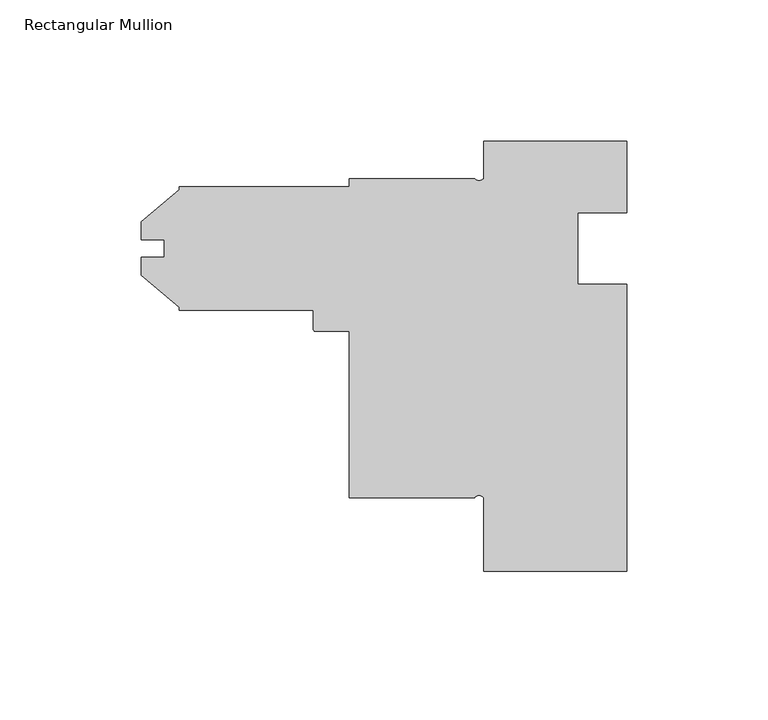
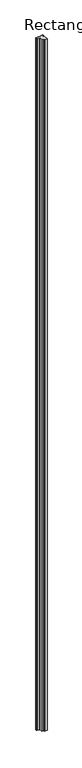
"""IFC4 building model written with IfcOpenShell, lengths in millimetres: member geometry, Rectangular Mullion."""

from ifc_helpers import new_model, si_unit, point, frame, frame_2d, origin, place, context, project, spatial, polyline, circle_curve, trimmed, segment, composite_curve, outline, extrude, source, transform, mapped, element, save


def rectangular_mullion_efedd65b(model_context):
    return source(origin(), model_context, "Body", "SweptSolid", [
        extrude(outline(composite_curve([segment(polyline([(25.4, -25.4), (7.9502, -25.4), (7.9502, -50.8), (25.4, -50.8), (25.4, -152.4), (-25.4, -152.4), (-25.4, -126.3904)]), True, "CONTINUOUS"), segment(trimmed(circle_curve(frame_2d((-26.9875, -127.5783639)), 1.9827795), [point((-25.4, -126.3904))], [point((-28.575, -126.3904))], True, "CARTESIAN"), True, "CONTINUOUS"), segment(polyline([(-28.575, -126.3904), (-73.025, -126.3904), (-73.025, -67.4878), (-84.9376, -67.4878)]), True, "CONTINUOUS"), segment(trimmed(circle_curve(frame_2d((-84.9376, -66.7004)), 0.7874), [point((-84.9376, -67.4878))], [point((-85.725, -66.7004))], False, "CARTESIAN"), True, "CONTINUOUS"), segment(polyline([(-85.725, -66.7004), (-85.725, -59.986545), (-133.35, -59.986545), (-133.35, -58.9200383), (-146.812, -47.624079), (-146.812, -41.2538071), (-138.6619049, -41.2538071), (-138.6619049, -34.9296829), (-146.812, -34.9296829), (-146.812, -28.559411), (-133.35, -17.2634517), (-133.35, -16.196945), (-73.025, -16.196945), (-73.025, -13.3096), (-28.575, -13.3096)]), True, "CONTINUOUS"), segment(trimmed(circle_curve(frame_2d((-26.9875, -11.9531638)), 2.0880794), [point((-28.575, -13.3096))], [point((-25.4, -13.3096))], True, "CARTESIAN"), True, "CONTINUOUS"), segment(polyline([(-25.4, -13.3096), (-25.4, 0.0), (25.4, 0.0), (25.4, -25.4)]), True, "CONTINUOUS")], self_intersect=False)), frame((0.0, 0.0, -15711.5380959), z_axis=(0.0, 0.0, 1.0), x_axis=(1.0, 0.0, 0.0)), (0.0, 0.0, 1.0), 15711.5380959),
    ])


if __name__ == "__main__":
    model = new_model("IFC4")
    model_context = context("Model", 3, world=origin())
    ifc_project = project(units=[si_unit("LENGTHUNIT", "METRE", prefix="MILLI")], contexts=[model_context])
    site = spatial("IfcSite", under=ifc_project)
    building = spatial("IfcBuilding", under=site)
    placement = place(None, origin())
    rectangular_mullion_shape = rectangular_mullion_efedd65b(model_context)
    element("IfcMember", 1, ObjectType="Rectangular Mullion", at=placement, inside=building, context=model_context, shape_type="MappedRepresentation", body=[
        mapped(rectangular_mullion_shape, transform((0.0, 0.0, 0.0), x_axis=(1.0, 0.0, 0.0), y_axis=(0.0, 1.0, 0.0), z_axis=(0.0, 0.0, 1.0))),
    ])
    save(model, "model.ifc")
